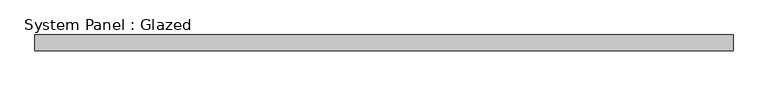
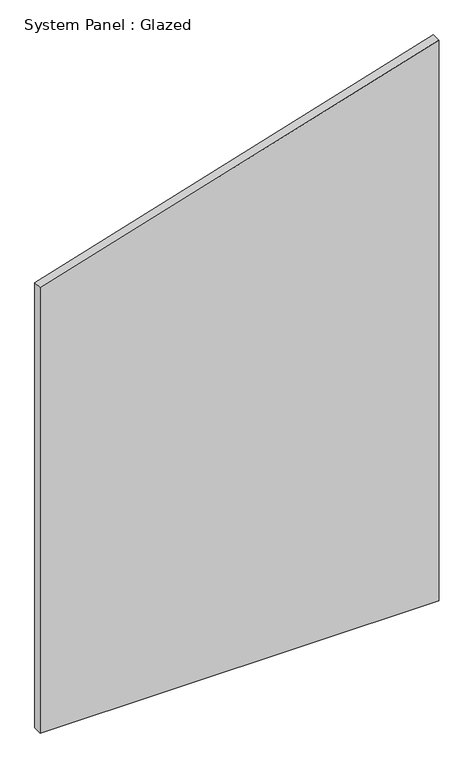
"""IFC4 building model written with IfcOpenShell, lengths in millimetres: plate geometry, System Panel : Glazed."""

from ifc_helpers import new_model, si_unit, frame, origin, place, context, project, spatial, polyline, outline, extrude, source, transform, mapped, element, save


def system_panel_glazed_0173a488(model_context):
    return source(origin(), model_context, "Body", "SweptSolid", [
        extrude(outline(polyline([(0.0, -557.9813296), (0.0, 557.9813296), (1658.1088765, 557.9813296), (1315.9665034, -557.9813296), (0.0, -557.9813296)])), frame((0.0, 19.05, 0.0), z_axis=(0.0, 1.0, 0.0), x_axis=(0.0, 0.0, 1.0)), (0.0, 0.0, 1.0), 25.4),
    ])


if __name__ == "__main__":
    model = new_model("IFC4")
    model_context = context("Model", 3, world=origin())
    ifc_project = project(units=[si_unit("LENGTHUNIT", "METRE", prefix="MILLI")], contexts=[model_context])
    site = spatial("IfcSite", under=ifc_project)
    building = spatial("IfcBuilding", under=site)
    placement = place(None, origin())
    system_panel_glazed_shape = system_panel_glazed_0173a488(model_context)
    element("IfcPlate", 1, ObjectType="System Panel : Glazed", at=placement, inside=building, context=model_context, shape_type="MappedRepresentation", body=[
        mapped(system_panel_glazed_shape, transform((0.0, 0.0, 0.0), x_axis=(1.0, 0.0, 0.0), y_axis=(0.0, 1.0, 0.0), z_axis=(0.0, 0.0, 1.0))),
    ])
    save(model, "model.ifc")
